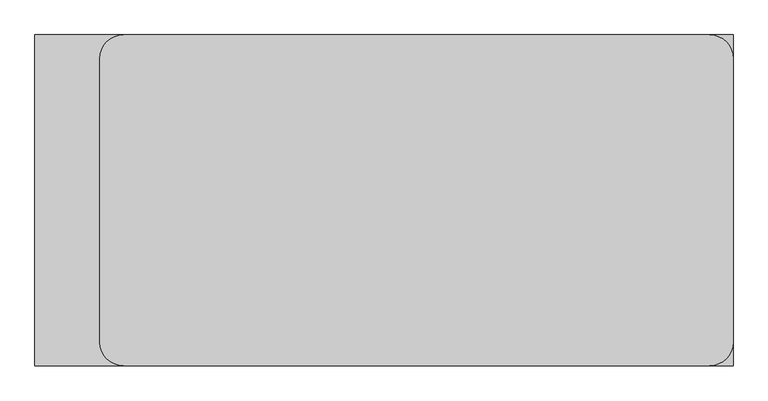
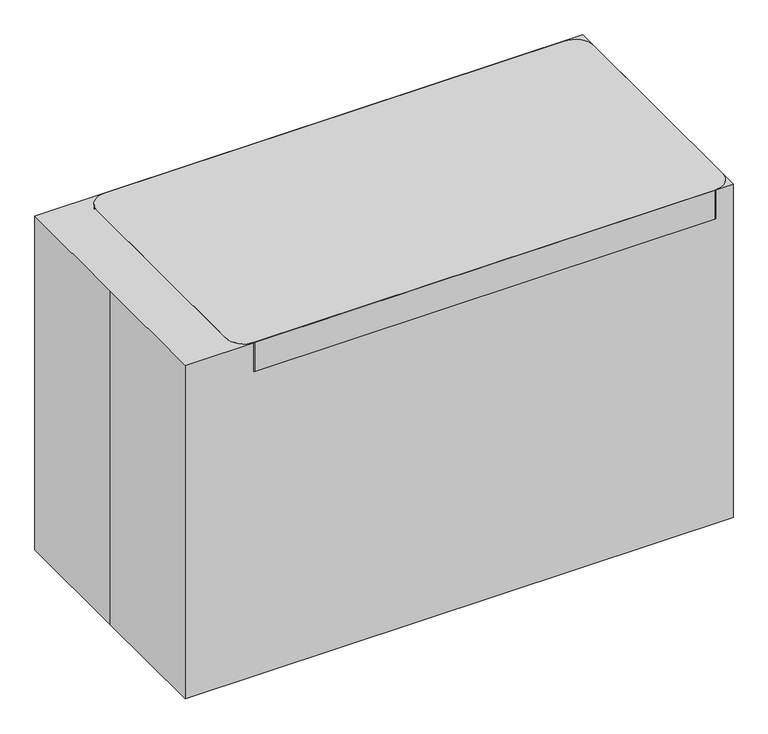
"""IFC4 building model written with IfcOpenShell, lengths in millimetres: proxy geometry."""

from ifc_helpers import new_model, si_unit, point, frame, frame_2d, origin, origin_with_axes, place, context, project, spatial, polyline, circle_curve, trimmed, segment, composite_curve, outline, extrude, source, transform, mapped, element, save


def specialty_equipment_bb7b2405(model_context):
    return source(origin(), model_context, "Body", "SweptSolid", [
        extrude(outline(composite_curve([segment(polyline([(-654.05, 320.4617179), (577.85, 320.4617179), (577.85, 256.9617179), (-590.55, 256.9617179)]), True, "CONTINUOUS"), segment(trimmed(circle_curve(frame_2d((-590.55, 231.5617179)), 25.4), [point((-590.55, 256.9617179))], [point((-615.95, 231.5617179))], True, "CARTESIAN"), True, "CONTINUOUS"), segment(polyline([(-615.95, 231.5617179), (-615.95, -317.5), (-679.45, -317.5), (-679.45, 295.0617179)]), True, "CONTINUOUS"), segment(trimmed(circle_curve(frame_2d((-654.05, 295.0617179)), 25.4), [point((-679.45, 295.0617179))], [point((-654.05, 320.4617179))], False, "CARTESIAN"), True, "CONTINUOUS")], self_intersect=False)), frame((0.0, 0.0, 127.0), z_axis=(0.0, 0.0, 1.0), x_axis=(1.0, 0.0, 0.0)), (0.0, 0.0, 1.0), 38.1),
        extrude(outline(composite_curve([segment(trimmed(circle_curve(frame_2d((-645.5833333, 282.5533546)), 16.9333333), [point((-645.5833333, 299.4866879))], [point((-645.5833333, 265.6200213))], False, "CARTESIAN"), True, "CONTINUOUS"), segment(trimmed(circle_curve(frame_2d((-645.5833333, 282.5533546)), 16.9333333), [point((-645.5833333, 265.6200213))], [point((-645.5833333, 299.4866879))], False, "CARTESIAN"), True, "CONTINUOUS")], self_intersect=False)), frame((0.0, 0.0, 84.8149176), z_axis=(0.0, 0.0, 1.0), x_axis=(1.0, 0.0, 0.0)), (0.0, 0.0, 1.0), 42.1850824),
        extrude(outline(composite_curve([segment(trimmed(circle_curve(frame_2d((-645.5833333, -279.3783546)), 16.9333333), [point((-645.5833333, -296.3116879))], [point((-645.5833333, -262.4450213))], False, "CARTESIAN"), True, "CONTINUOUS"), segment(trimmed(circle_curve(frame_2d((-645.5833333, -279.3783546)), 16.9333333), [point((-645.5833333, -262.4450213))], [point((-645.5833333, -296.3116879))], False, "CARTESIAN"), True, "CONTINUOUS")], self_intersect=False)), frame((0.0, 0.0, 84.8149176), z_axis=(0.0, 0.0, 1.0), x_axis=(1.0, 0.0, 0.0)), (0.0, 0.0, 1.0), 42.1850824),
        extrude(outline(composite_curve([segment(trimmed(circle_curve(frame_2d((50.8, -628.65)), 50.8), [point((50.8, -679.45))], [point((50.8, -577.85))], False, "CARTESIAN"), True, "CONTINUOUS"), segment(trimmed(circle_curve(frame_2d((50.8, -628.65)), 50.8), [point((50.8, -577.85))], [point((50.8, -679.45))], False, "CARTESIAN"), True, "CONTINUOUS")], self_intersect=False)), frame((0.0, -260.35, 0.0), z_axis=(0.0, 1.0, 0.0), x_axis=(0.0, 0.0, 1.0)), (0.0, 0.0, 1.0), 19.05),
        extrude(outline(composite_curve([segment(trimmed(circle_curve(frame_2d((50.8, -628.65)), 50.8), [point((50.8, -679.45))], [point((50.8, -577.85))], False, "CARTESIAN"), True, "CONTINUOUS"), segment(trimmed(circle_curve(frame_2d((50.8, -628.65)), 50.8), [point((50.8, -577.85))], [point((50.8, -679.45))], False, "CARTESIAN"), True, "CONTINUOUS")], self_intersect=False)), frame((0.0, -317.5, 0.0), z_axis=(0.0, 1.0, 0.0), x_axis=(0.0, 0.0, 1.0)), (0.0, 0.0, 1.0), 19.05),
        extrude(outline(composite_curve([segment(trimmed(circle_curve(frame_2d((50.8, -628.65)), 33.8666667), [point((50.8, -594.7833333))], [point((50.8, -662.5166667))], False, "CARTESIAN"), True, "CONTINUOUS"), segment(trimmed(circle_curve(frame_2d((50.8, -628.65)), 33.8666667), [point((50.8, -662.5166667))], [point((50.8, -594.7833333))], False, "CARTESIAN"), True, "CONTINUOUS")], self_intersect=False)), frame((0.0, -298.45, 0.0), z_axis=(0.0, 1.0, 0.0), x_axis=(0.0, 0.0, 1.0)), (0.0, 0.0, 1.0), 38.1),
        extrude(outline(composite_curve([segment(trimmed(circle_curve(frame_2d((50.8, -628.65)), 50.8), [point((50.8, -679.45))], [point((50.8, -577.85))], False, "CARTESIAN"), True, "CONTINUOUS"), segment(trimmed(circle_curve(frame_2d((50.8, -628.65)), 50.8), [point((50.8, -577.85))], [point((50.8, -679.45))], False, "CARTESIAN"), True, "CONTINUOUS")], self_intersect=False)), frame((0.0, 244.2617179, 0.0), z_axis=(0.0, 1.0, 0.0), x_axis=(0.0, 0.0, 1.0)), (0.0, 0.0, 1.0), 19.05),
        extrude(outline(composite_curve([segment(trimmed(circle_curve(frame_2d((50.8, -628.65)), 50.8), [point((50.8, -679.45))], [point((50.8, -577.85))], False, "CARTESIAN"), True, "CONTINUOUS"), segment(trimmed(circle_curve(frame_2d((50.8, -628.65)), 50.8), [point((50.8, -577.85))], [point((50.8, -679.45))], False, "CARTESIAN"), True, "CONTINUOUS")], self_intersect=False)), frame((0.0, 301.4117179, 0.0), z_axis=(0.0, 1.0, 0.0), x_axis=(0.0, 0.0, 1.0)), (0.0, 0.0, 1.0), 19.05),
        extrude(outline(composite_curve([segment(trimmed(circle_curve(frame_2d((50.8, -628.65)), 33.8666667), [point((50.8, -594.7833333))], [point((50.8, -662.5166667))], False, "CARTESIAN"), True, "CONTINUOUS"), segment(trimmed(circle_curve(frame_2d((50.8, -628.65)), 33.8666667), [point((50.8, -662.5166667))], [point((50.8, -594.7833333))], False, "CARTESIAN"), True, "CONTINUOUS")], self_intersect=False)), frame((0.0, 263.3117179, 0.0), z_axis=(0.0, 1.0, 0.0), x_axis=(0.0, 0.0, 1.0)), (0.0, 0.0, 1.0), 38.1),
        extrude(outline(composite_curve([segment(trimmed(circle_curve(frame_2d((645.5833333, 282.5533546)), 16.9333333), [point((645.5833333, 299.4866879))], [point((645.5833333, 265.6200213))], False, "CARTESIAN"), True, "CONTINUOUS"), segment(trimmed(circle_curve(frame_2d((645.5833333, 282.5533546)), 16.9333333), [point((645.5833333, 265.6200213))], [point((645.5833333, 299.4866879))], False, "CARTESIAN"), True, "CONTINUOUS")], self_intersect=False)), frame((0.0, 0.0, 84.8149176), z_axis=(0.0, 0.0, 1.0), x_axis=(1.0, 0.0, 0.0)), (0.0, 0.0, 1.0), 42.1850824),
        extrude(outline(composite_curve([segment(trimmed(circle_curve(frame_2d((645.5833333, -279.3783546)), 16.9333333), [point((645.5833333, -296.3116879))], [point((645.5833333, -262.4450213))], False, "CARTESIAN"), True, "CONTINUOUS"), segment(trimmed(circle_curve(frame_2d((645.5833333, -279.3783546)), 16.9333333), [point((645.5833333, -262.4450213))], [point((645.5833333, -296.3116879))], False, "CARTESIAN"), True, "CONTINUOUS")], self_intersect=False)), frame((0.0, 0.0, 84.8149176), z_axis=(0.0, 0.0, 1.0), x_axis=(1.0, 0.0, 0.0)), (0.0, 0.0, 1.0), 42.1850824),
        extrude(outline(composite_curve([segment(trimmed(circle_curve(frame_2d((50.8, 628.65)), 50.8), [point((50.8, 679.45))], [point((50.8, 577.85))], False, "CARTESIAN"), True, "CONTINUOUS"), segment(trimmed(circle_curve(frame_2d((50.8, 628.65)), 50.8), [point((50.8, 577.85))], [point((50.8, 679.45))], False, "CARTESIAN"), True, "CONTINUOUS")], self_intersect=False)), frame((0.0, -260.35, 0.0), z_axis=(0.0, 1.0, 0.0), x_axis=(0.0, 0.0, 1.0)), (0.0, 0.0, 1.0), 19.05),
        extrude(outline(composite_curve([segment(trimmed(circle_curve(frame_2d((50.8, 628.65)), 50.8), [point((50.8, 679.45))], [point((50.8, 577.85))], False, "CARTESIAN"), True, "CONTINUOUS"), segment(trimmed(circle_curve(frame_2d((50.8, 628.65)), 50.8), [point((50.8, 577.85))], [point((50.8, 679.45))], False, "CARTESIAN"), True, "CONTINUOUS")], self_intersect=False)), frame((0.0, -317.5, 0.0), z_axis=(0.0, 1.0, 0.0), x_axis=(0.0, 0.0, 1.0)), (0.0, 0.0, 1.0), 19.05),
        extrude(outline(composite_curve([segment(trimmed(circle_curve(frame_2d((50.8, 628.65)), 33.8666667), [point((50.8, 594.7833333))], [point((50.8, 662.5166667))], False, "CARTESIAN"), True, "CONTINUOUS"), segment(trimmed(circle_curve(frame_2d((50.8, 628.65)), 33.8666667), [point((50.8, 662.5166667))], [point((50.8, 594.7833333))], False, "CARTESIAN"), True, "CONTINUOUS")], self_intersect=False)), frame((0.0, -298.45, 0.0), z_axis=(0.0, 1.0, 0.0), x_axis=(0.0, 0.0, 1.0)), (0.0, 0.0, 1.0), 38.1),
        extrude(outline(composite_curve([segment(trimmed(circle_curve(frame_2d((50.8, 628.65)), 50.8), [point((50.8, 679.45))], [point((50.8, 577.85))], False, "CARTESIAN"), True, "CONTINUOUS"), segment(trimmed(circle_curve(frame_2d((50.8, 628.65)), 50.8), [point((50.8, 577.85))], [point((50.8, 679.45))], False, "CARTESIAN"), True, "CONTINUOUS")], self_intersect=False)), frame((0.0, 244.2617179, 0.0), z_axis=(0.0, 1.0, 0.0), x_axis=(0.0, 0.0, 1.0)), (0.0, 0.0, 1.0), 19.05),
        extrude(outline(composite_curve([segment(trimmed(circle_curve(frame_2d((50.8, 628.65)), 50.8), [point((50.8, 679.45))], [point((50.8, 577.85))], False, "CARTESIAN"), True, "CONTINUOUS"), segment(trimmed(circle_curve(frame_2d((50.8, 628.65)), 50.8), [point((50.8, 577.85))], [point((50.8, 679.45))], False, "CARTESIAN"), True, "CONTINUOUS")], self_intersect=False)), frame((0.0, 301.4117179, 0.0), z_axis=(0.0, 1.0, 0.0), x_axis=(0.0, 0.0, 1.0)), (0.0, 0.0, 1.0), 19.05),
        extrude(outline(composite_curve([segment(trimmed(circle_curve(frame_2d((50.8, 628.65)), 33.8666667), [point((50.8, 594.7833333))], [point((50.8, 662.5166667))], False, "CARTESIAN"), True, "CONTINUOUS"), segment(trimmed(circle_curve(frame_2d((50.8, 628.65)), 33.8666667), [point((50.8, 662.5166667))], [point((50.8, 594.7833333))], False, "CARTESIAN"), True, "CONTINUOUS")], self_intersect=False)), frame((0.0, 263.3117179, 0.0), z_axis=(0.0, 1.0, 0.0), x_axis=(0.0, 0.0, 1.0)), (0.0, 0.0, 1.0), 38.1),
        extrude(outline(polyline([(714.1878329, -317.5), (577.85, -317.5), (577.85, 320.4617179), (714.1878329, 320.4617179), (714.1878329, -317.5)])), frame((0.0, 0.0, 127.0), z_axis=(0.0, 0.0, 1.0), x_axis=(1.0, 0.0, 0.0)), (0.0, 0.0, 1.0), 38.1),
        extrude(outline(polyline([(692.15, -44.45), (603.25, -44.45), (603.25, 44.45), (692.15, 44.45), (692.15, -44.45)])), frame((0.0, 0.0, 165.1), z_axis=(0.0, 0.0, 1.0), x_axis=(1.0, 0.0, 0.0)), (0.0, 0.0, 1.0), 258.3016667),
        extrude(outline(polyline([(698.5, -50.8), (596.9, -50.8), (596.9, 50.8), (698.5, 50.8), (698.5, -50.8)])), frame((0.0, 0.0, 423.4016667), z_axis=(0.0, 0.0, 1.0), x_axis=(1.0, 0.0, 0.0)), (0.0, 0.0, 1.0), 457.2),
        extrude(outline(composite_curve([segment(trimmed(circle_curve(frame_2d((698.5, 304.8)), 50.8), [point((698.5, 355.6))], [point((749.3, 304.8))], False, "CARTESIAN"), True, "CONTINUOUS"), segment(polyline([(749.3, 304.8), (749.3, -304.8)]), True, "CONTINUOUS"), segment(trimmed(circle_curve(frame_2d((698.5, -304.8)), 50.8), [point((749.3, -304.8))], [point((698.5, -355.6))], False, "CARTESIAN"), True, "CONTINUOUS"), segment(polyline([(698.5, -355.6), (-558.8, -355.6)]), True, "CONTINUOUS"), segment(trimmed(circle_curve(frame_2d((-558.8, -304.8)), 50.8), [point((-558.8, -355.6))], [point((-609.6, -304.8))], False, "CARTESIAN"), True, "CONTINUOUS"), segment(polyline([(-609.6, -304.8), (-609.6, 304.8)]), True, "CONTINUOUS"), segment(trimmed(circle_curve(frame_2d((-558.8, 304.8)), 50.8), [point((-609.6, 304.8))], [point((-558.8, 355.6))], False, "CARTESIAN"), True, "CONTINUOUS"), segment(polyline([(-558.8, 355.6), (698.5, 355.6)]), True, "CONTINUOUS")], self_intersect=False)), frame((0.0, 0.0, 880.6016667), z_axis=(0.0, 0.0, 1.0), x_axis=(1.0, 0.0, 0.0)), (0.0, 0.0, 1.0), 84.5983333),
        extrude(outline(polyline([(-749.3, 355.6), (749.3, 355.6), (749.3, -355.6), (-749.3, -355.6), (-749.3, 0.0), (-749.3, 355.6)])), origin_with_axes(), (0.0, 0.0, 1.0), 965.2),
    ])


if __name__ == "__main__":
    model = new_model("IFC4")
    model_context = context("Model", 3, world=origin())
    ifc_project = project(units=[si_unit("LENGTHUNIT", "METRE", prefix="MILLI")], contexts=[model_context])
    site = spatial("IfcSite", under=ifc_project)
    building = spatial("IfcBuilding", under=site)
    placement = place(None, origin())
    specialty_equipment_shape = specialty_equipment_bb7b2405(model_context)
    element("IfcBuildingElementProxy", 1, Name="Specialty Equipment", at=placement, inside=building, context=model_context, shape_type="MappedRepresentation", body=[
        mapped(specialty_equipment_shape, transform((0.0, 0.0, 0.0), x_axis=(1.0, 0.0, 0.0), y_axis=(0.0, 1.0, 0.0), z_axis=(0.0, 0.0, 1.0))),
    ])
    save(model, "model.ifc")
